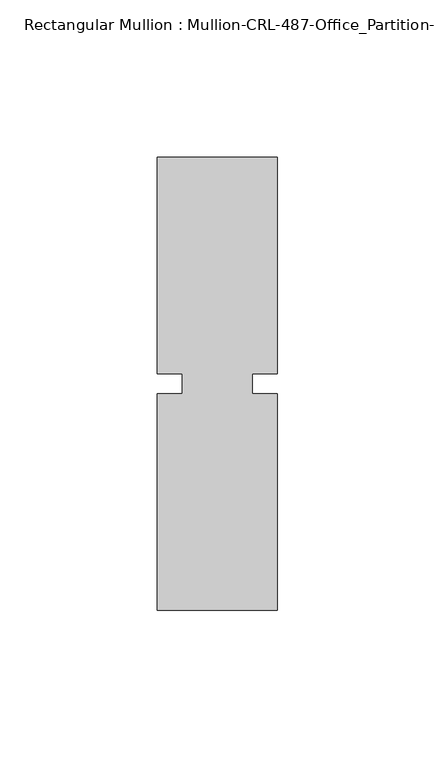
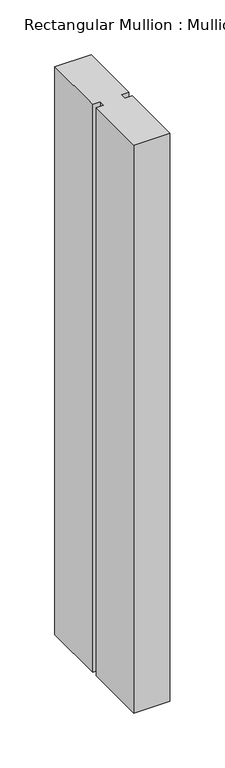
"""IFC4 building model written with IfcOpenShell, lengths in millimetres: member geometry, Rectangular Mullion : Mullion-CRL-487-Office_Partition-Intermediate_Horizontal."""

from ifc_helpers import new_model, si_unit, frame, origin, place, context, project, spatial, polyline, outline, extrude, source, transform, mapped, element, save


def rectangular_mullion_mullion_crl_487_office_partition_03e32e7d(model_context):
    return source(origin(), model_context, "Body", "SweptSolid", [
        extrude(outline(polyline([(-19.05, 3.175), (-19.05, 71.9452142), (19.05, 71.9452142), (19.05, 3.175), (11.1125, 3.175), (11.1125, -3.175), (19.05, -3.175), (19.05, -71.9452143), (-19.05, -71.9452143), (-19.05, -3.175), (-11.1125, -3.175), (-11.1125, 3.175), (-19.05, 3.175)])), frame((0.0, 0.0, -631.8377), z_axis=(0.0, 0.0, 1.0), x_axis=(1.0, 0.0, 0.0)), (0.0, 0.0, 1.0), 631.8377),
    ])


if __name__ == "__main__":
    model = new_model("IFC4")
    model_context = context("Model", 3, world=origin())
    ifc_project = project(units=[si_unit("LENGTHUNIT", "METRE", prefix="MILLI")], contexts=[model_context])
    site = spatial("IfcSite", under=ifc_project)
    building = spatial("IfcBuilding", under=site)
    placement = place(None, origin())
    rectangular_mullion_mullion_crl_487_office_partition_shape = rectangular_mullion_mullion_crl_487_office_partition_03e32e7d(model_context)
    element("IfcMember", 1, ObjectType="Rectangular Mullion : Mullion-CRL-487-Office_Partition-Intermediate_Horizontal", at=placement, inside=building, context=model_context, shape_type="MappedRepresentation", body=[
        mapped(rectangular_mullion_mullion_crl_487_office_partition_shape, transform((0.0, 0.0, 0.0), x_axis=(1.0, 0.0, 0.0), y_axis=(0.0, 1.0, 0.0), z_axis=(0.0, 0.0, 1.0))),
    ])
    save(model, "model.ifc")
